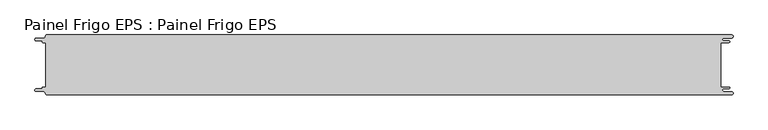
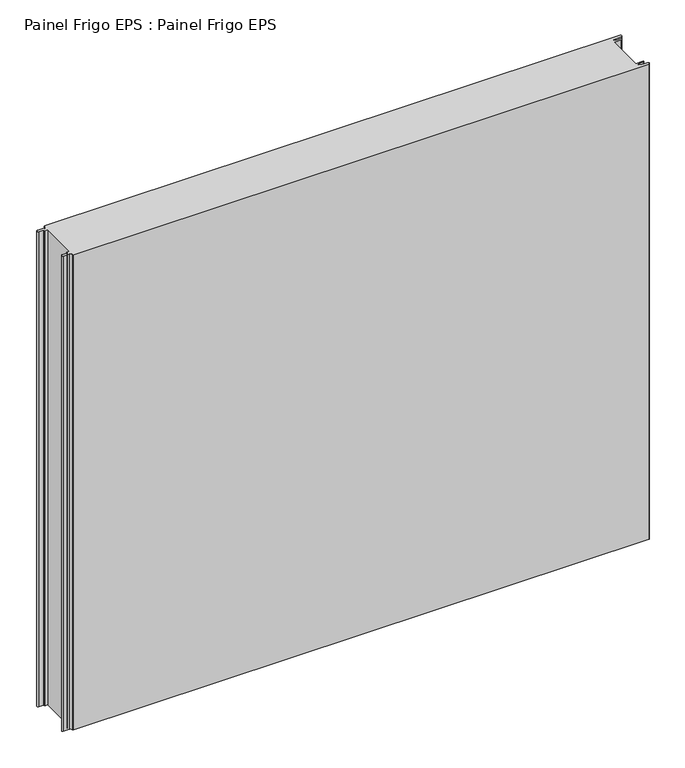
"""IFC4 building model written with IfcOpenShell, lengths in millimetres: proxy geometry, Painel Frigo EPS : Painel Frigo EPS."""

from ifc_helpers import new_model, si_unit, frame, origin, place, context, project, spatial, polyline, circle_curve, source, transform, mapped, element, save
from ifc_brep_helpers import plane_surface, cylinder_surface, revolved_surface, advanced_brep


def painel_frigo_eps_painel_frigo_eps_520e7b9e(model_context):
    return source(origin(), model_context, "Body", "AdvancedBrep", [
        advanced_brep(
        [(-579.5093748, 37.3, 1000.0), (-574.2218362, 37.3, 1000.0), (-574.2218362, -37.2999995, 1000.0), (-579.5093748, -37.2999995, 1000.0), (-580.1093753, -37.9, 1000.0), (-580.1093753, -38.7085185, 1000.0), (-581.5093753, -40.1085185, 1000.0), (-590.4875, -40.1085185, 1000.0), (-590.4875, -44.5085185, 1000.0), (-578.471875, -44.5085185, 1000.0), (-574.921875, -48.0585185, 1000.0), (-572.971875, -50.0, 1000.0), (572.284375, -50.0, 1000.0), (572.284375, -44.725, 1000.0), (559.378125, -44.725, 1000.0), (559.378125, -39.875, 1000.0), (568.0406253, -39.875, 1000.0), (568.0406253, -37.3, 1000.0), (554.1906253, -37.3, 1000.0), (554.1906253, 37.3, 1000.0), (568.0406253, 37.3, 1000.0), (568.0406253, 39.875, 1000.0), (559.378125, 39.875, 1000.0), (559.378125, 44.725, 1000.0), (572.284375, 44.725, 1000.0), (572.284375, 50.0, 1000.0), (-572.971875, 50.0, 1000.0), (-574.921875, 48.05, 1000.0), (-578.471875, 44.5085185, 1000.0), (-590.4875, 44.5085185, 1000.0), (-590.4875, 40.1085187, 1000.0), (-581.5093751, 40.1085187, 1000.0), (-580.1093748, 38.7085184, 1000.0), (-580.1093748, 37.9, 1000.0), (-579.5093748, 37.3, 0.0), (-580.1093748, 37.9, 0.0), (-580.1093748, 38.7085184, 0.0), (-581.5093751, 40.1085187, 0.0), (-590.4875, 40.1085187, 0.0), (-590.4875, 44.5085185, 0.0), (-578.471875, 44.5085185, 0.0), (-574.921875, 48.0585185, 0.0), (-572.971875, 50.0, 0.0), (572.284375, 50.0, 0.0), (572.284375, 44.725, 0.0), (559.378125, 44.725, 0.0), (559.378125, 39.875, 0.0), (568.0406253, 39.875, 0.0), (568.0406253, 37.3, 0.0), (554.1906253, 37.3, 0.0), (554.1906253, -37.3, 0.0), (568.0406253, -37.3, 0.0), (568.0406253, -39.875, 0.0), (559.378125, -39.875, 0.0), (559.378125, -44.725, 0.0), (572.284375, -44.725, 0.0), (572.284375, -50.0, 0.0), (-572.971875, -50.0, 0.0), (-574.921875, -48.05, 0.0), (-578.471875, -44.5085185, 0.0), (-590.4875, -44.5085185, 0.0), (-590.4875, -40.1085185, 0.0), (-581.5093753, -40.1085185, 0.0), (-580.1093753, -38.7085185, 0.0), (-580.1093753, -37.9, 0.0), (-579.5093748, -37.2999995, 0.0), (-574.2218362, -37.2999995, 0.0), (-574.2218362, 37.3, 0.0)],
        [
            (0, 1),
            (1, 2),
            (2, 3),
            (3, 4, circle_curve(frame((-579.5093748, -37.9, 1000.0), z_axis=(0.0, 0.0, 1.0), x_axis=(1.0, 0.0, 0.0)), 0.6000005)),
            (4, 5),
            (5, 6, circle_curve(frame((-581.5093753, -38.7085185, 1000.0), z_axis=(0.0, 0.0, -1.0), x_axis=(1.0, 0.0, 0.0)), 1.4)),
            (6, 7),
            (7, 8, circle_curve(frame((-590.4875, -42.3085185, 1000.0), z_axis=(0.0, 0.0, 1.0), x_axis=(1.0, 0.0, 0.0)), 2.2)),
            (8, 9),
            (9, 10, circle_curve(frame((-578.471875, -48.0585185, 1000.0), z_axis=(0.0, 0.0, -1.0), x_axis=(1.0, 0.0, 0.0)), 3.55)),
            (10, 11, circle_curve(frame((-572.971875, -48.05, 1000.0), z_axis=(0.0, 0.0, 1.0), x_axis=(1.0, 0.0, 0.0)), 1.95)),
            (11, 12),
            (12, 13, circle_curve(frame((572.284375, -47.3625, 1000.0), z_axis=(0.0, 0.0, 1.0), x_axis=(1.0, 0.0, 0.0)), 2.6375)),
            (13, 14),
            (14, 15, circle_curve(frame((559.378125, -42.3, 1000.0), z_axis=(0.0, 0.0, -1.0), x_axis=(1.0, 0.0, 0.0)), 2.425)),
            (15, 16),
            (16, 17, circle_curve(frame((568.0406253, -38.5875, 1000.0), z_axis=(0.0, 0.0, 1.0), x_axis=(1.0, 0.0, 0.0)), 1.2875)),
            (17, 18),
            (18, 19),
            (19, 20),
            (20, 21, circle_curve(frame((568.0406253, 38.5875, 1000.0), z_axis=(0.0, 0.0, 1.0), x_axis=(1.0, 0.0, 0.0)), 1.2875)),
            (21, 22),
            (22, 23, circle_curve(frame((559.378125, 42.3, 1000.0), z_axis=(0.0, 0.0, -1.0), x_axis=(1.0, 0.0, 0.0)), 2.425)),
            (23, 24),
            (24, 25, circle_curve(frame((572.284375, 47.3625, 1000.0), z_axis=(0.0, 0.0, 1.0), x_axis=(1.0, 0.0, 0.0)), 2.6375)),
            (25, 26),
            (26, 27, circle_curve(frame((-572.971875, 48.05, 1000.0), z_axis=(0.0, 0.0, 1.0), x_axis=(1.0, 0.0, 0.0)), 1.95)),
            (27, 28, circle_curve(frame((-578.471875, 48.0585185, 1000.0), z_axis=(0.0, 0.0, -1.0), x_axis=(1.0, 0.0, 0.0)), 3.55)),
            (28, 29),
            (29, 30, circle_curve(frame((-590.4875, 42.3085186, 1000.0), z_axis=(0.0, 0.0, 1.0), x_axis=(1.0, 0.0, 0.0)), 2.1999999)),
            (30, 31),
            (31, 32, circle_curve(frame((-581.5093751, 38.7085184, 1000.0), z_axis=(0.0, 0.0, -1.0), x_axis=(1.0, 0.0, 0.0)), 1.4000003)),
            (32, 33),
            (33, 0, circle_curve(frame((-579.5093748, 37.9, 1000.0), z_axis=(0.0, 0.0, 1.0), x_axis=(1.0, 0.0, 0.0)), 0.6)),
            (34, 35, circle_curve(frame((-579.5093748, 37.9, 0.0), z_axis=(0.0, 0.0, -1.0), x_axis=(1.0, 0.0, 0.0)), 0.6)),
            (35, 36),
            (36, 37, circle_curve(frame((-581.5093751, 38.7085184, 0.0), z_axis=(0.0, 0.0, 1.0), x_axis=(1.0, 0.0, 0.0)), 1.4000003)),
            (37, 38),
            (38, 39, circle_curve(frame((-590.4875, 42.3085186, 0.0), z_axis=(0.0, 0.0, -1.0), x_axis=(1.0, 0.0, 0.0)), 2.1999999)),
            (39, 40),
            (40, 41, circle_curve(frame((-578.471875, 48.0585185, 0.0), z_axis=(0.0, 0.0, 1.0), x_axis=(1.0, 0.0, 0.0)), 3.55)),
            (41, 42, circle_curve(frame((-572.971875, 48.05, 0.0), z_axis=(0.0, 0.0, -1.0), x_axis=(1.0, 0.0, 0.0)), 1.95)),
            (42, 43),
            (43, 44, circle_curve(frame((572.284375, 47.3625, 0.0), z_axis=(0.0, 0.0, -1.0), x_axis=(1.0, 0.0, 0.0)), 2.6375)),
            (44, 45),
            (45, 46, circle_curve(frame((559.378125, 42.3, 0.0), z_axis=(0.0, 0.0, 1.0), x_axis=(1.0, 0.0, 0.0)), 2.425)),
            (46, 47),
            (47, 48, circle_curve(frame((568.0406253, 38.5875, 0.0), z_axis=(0.0, 0.0, -1.0), x_axis=(1.0, 0.0, 0.0)), 1.2875)),
            (48, 49),
            (49, 50),
            (50, 51),
            (51, 52, circle_curve(frame((568.0406253, -38.5875, 0.0), z_axis=(0.0, 0.0, -1.0), x_axis=(1.0, 0.0, 0.0)), 1.2875)),
            (52, 53),
            (53, 54, circle_curve(frame((559.378125, -42.3, 0.0), z_axis=(0.0, 0.0, 1.0), x_axis=(1.0, 0.0, 0.0)), 2.425)),
            (54, 55),
            (55, 56, circle_curve(frame((572.284375, -47.3625, 0.0), z_axis=(0.0, 0.0, -1.0), x_axis=(1.0, 0.0, 0.0)), 2.6375)),
            (56, 57),
            (57, 58, circle_curve(frame((-572.971875, -48.05, 0.0), z_axis=(0.0, 0.0, -1.0), x_axis=(1.0, 0.0, 0.0)), 1.95)),
            (58, 59, circle_curve(frame((-578.471875, -48.0585185, 0.0), z_axis=(0.0, 0.0, 1.0), x_axis=(1.0, 0.0, 0.0)), 3.55)),
            (59, 60),
            (60, 61, circle_curve(frame((-590.4875, -42.3085185, 0.0), z_axis=(0.0, 0.0, -1.0), x_axis=(1.0, 0.0, 0.0)), 2.2)),
            (61, 62),
            (62, 63, circle_curve(frame((-581.5093753, -38.7085185, 0.0), z_axis=(0.0, 0.0, 1.0), x_axis=(1.0, 0.0, 0.0)), 1.4)),
            (63, 64),
            (64, 65, circle_curve(frame((-579.5093748, -37.9, 0.0), z_axis=(0.0, 0.0, -1.0), x_axis=(1.0, 0.0, 0.0)), 0.6000005)),
            (65, 66),
            (66, 67),
            (67, 34),
            (11, 57),
            (56, 12),
            (25, 43),
            (42, 26),
            (0, 34),
            (67, 1),
            (66, 2),
            (65, 3),
            (64, 4),
            (63, 5),
            (62, 6),
            (61, 7),
            (60, 8),
            (59, 9),
            (58, 10),
            (18, 50),
            (49, 19),
            (48, 20),
            (47, 21),
            (46, 22),
            (45, 23),
            (44, 24),
            (41, 27),
            (40, 28),
            (39, 29),
            (38, 30),
            (37, 31),
            (36, 32),
            (35, 33),
            (55, 13),
            (54, 14),
            (53, 15),
            (52, 16),
            (51, 17),
        ],
        [
            plane_surface(frame((-574.2218362, 37.3, 1000.0), z_axis=(0.0, 0.0, 1.0), x_axis=(1.0, 0.0, 0.0))),
            plane_surface(frame((-574.2218362, 37.3, 0.0), z_axis=(0.0, 0.0, -1.0), x_axis=(-1.0, 0.0, 0.0))),
            plane_surface(frame((-572.971875, -50.0, 1000.0), z_axis=(0.0, -1.0, 0.0), x_axis=(0.0, 0.0, -1.0))),
            plane_surface(frame((572.284375, 50.0, 1000.0), z_axis=(0.0, 1.0, 0.0), x_axis=(0.0, 0.0, -1.0))),
            plane_surface(frame((-579.5093748, 37.3, 1000.0), z_axis=(0.0, -1.0, 0.0), x_axis=(0.0, 0.0, -1.0))),
            plane_surface(frame((-574.2218362, 37.3, 1000.0), z_axis=(-1.0, 0.0, 0.0), x_axis=(0.0, 0.0, -1.0))),
            plane_surface(frame((-574.2218362, -37.2999995, 1000.0), z_axis=(0.0, 1.0, 0.0), x_axis=(0.0, 0.0, -1.0))),
            cylinder_surface(frame((-579.5093748, -37.9, 0.0), z_axis=(0.0, 0.0, 1.0), x_axis=(1.0, 0.0, 0.0)), 0.6000005),
            plane_surface(frame((-580.1093753, -37.9, 1000.0), z_axis=(-1.0, 1.7578608662328141e-12, 0.0), x_axis=(0.0, 0.0, -1.0))),
            revolved_surface(polyline([(-580.1093753, -38.7085185, 0.0), (-580.1093753, -38.7085185, 1000.0)]), (-581.5093753, -38.7085185, 0.0), (0.0, 0.0, -1.0)),
            plane_surface(frame((-581.5093753, -40.1085185, 1000.0), z_axis=(0.0, 1.0, 0.0), x_axis=(0.0, 0.0, -1.0))),
            cylinder_surface(frame((-590.4875, -42.3085185, 0.0), z_axis=(0.0, 0.0, 1.0), x_axis=(1.0, 0.0, 0.0)), 2.2),
            plane_surface(frame((-590.4875, -44.5085185, 1000.0), z_axis=(0.0, -1.0, 0.0), x_axis=(0.0, 0.0, -1.0))),
            revolved_surface(polyline([(-574.921875, -48.0585185, 0.0), (-574.921875, -48.0585185, 1000.0)]), (-578.471875, -48.0585185, 0.0), (0.0, 0.0, -1.0)),
            cylinder_surface(frame((-572.971875, -48.05, 0.0), z_axis=(0.0, 0.0, 1.0), x_axis=(1.0, 0.0, 0.0)), 1.95),
            plane_surface(frame((554.1906253, -37.3, 1000.0), z_axis=(1.0, 0.0, 0.0), x_axis=(0.0, 0.0, -1.0))),
            plane_surface(frame((554.1906253, 37.3, 1000.0), z_axis=(0.0, -1.0, 0.0), x_axis=(0.0, 0.0, -1.0))),
            cylinder_surface(frame((568.0406253, 38.5875, 0.0), z_axis=(0.0, 0.0, 1.0), x_axis=(1.0, 0.0, 0.0)), 1.2875),
            plane_surface(frame((568.0406253, 39.875, 1000.0), z_axis=(0.0, 1.0, 0.0), x_axis=(0.0, 0.0, -1.0))),
            revolved_surface(polyline([(561.8031249999999, 42.3, 0.0), (561.8031249999999, 42.3, 1000.0)]), (559.378125, 42.3, 0.0), (0.0, 0.0, -1.0)),
            plane_surface(frame((559.378125, 44.725, 1000.0), z_axis=(0.0, -1.0, 0.0), x_axis=(0.0, 0.0, -1.0))),
            cylinder_surface(frame((572.284375, 47.3625, 0.0), z_axis=(0.0, 0.0, 1.0), x_axis=(1.0, 0.0, 0.0)), 2.6375),
            cylinder_surface(frame((-572.971875, 48.05, 0.0), z_axis=(0.0, 0.0, 1.0), x_axis=(1.0, 0.0, 0.0)), 1.95),
            revolved_surface(polyline([(-574.921875, 48.0585185, 0.0), (-574.921875, 48.0585185, 1000.0)]), (-578.471875, 48.0585185, 0.0), (0.0, 0.0, -1.0)),
            plane_surface(frame((-578.471875, 44.5085185, 1000.0), z_axis=(0.0, 1.0, 0.0), x_axis=(0.0, 0.0, -1.0))),
            cylinder_surface(frame((-590.4875, 42.3085186, 0.0), z_axis=(0.0, 0.0, 1.0), x_axis=(1.0, 0.0, 0.0)), 2.1999999),
            plane_surface(frame((-590.4875, 40.1085187, 1000.0), z_axis=(0.0, -1.0, 0.0), x_axis=(0.0, 0.0, -1.0))),
            revolved_surface(polyline([(-580.1093748000001, 38.7085184, 0.0), (-580.1093748000001, 38.7085184, 1000.0)]), (-581.5093751, 38.7085184, 0.0), (0.0, 0.0, -1.0)),
            plane_surface(frame((-580.1093748, 38.7085184, 1000.0), z_axis=(-1.0, 0.0, 0.0), x_axis=(0.0, 0.0, -1.0))),
            cylinder_surface(frame((-579.5093748, 37.9, 0.0), z_axis=(0.0, 0.0, 1.0), x_axis=(1.0, 0.0, 0.0)), 0.6),
            cylinder_surface(frame((572.284375, -47.3625, 0.0), z_axis=(0.0, 0.0, 1.0), x_axis=(1.0, 0.0, 0.0)), 2.6375),
            plane_surface(frame((572.284375, -44.725, 1000.0), z_axis=(0.0, 1.0, 0.0), x_axis=(0.0, 0.0, -1.0))),
            revolved_surface(polyline([(561.8031249999999, -42.3, 0.0), (561.8031249999999, -42.3, 1000.0)]), (559.378125, -42.3, 0.0), (0.0, 0.0, -1.0)),
            plane_surface(frame((559.378125, -39.875, 1000.0), z_axis=(0.0, -1.0, 0.0), x_axis=(0.0, 0.0, -1.0))),
            cylinder_surface(frame((568.0406253, -38.5875, 0.0), z_axis=(0.0, 0.0, 1.0), x_axis=(1.0, 0.0, 0.0)), 1.2875),
            plane_surface(frame((568.0406253, -37.3, 1000.0), z_axis=(0.0, 1.0, 0.0), x_axis=(0.0, 0.0, -1.0))),
        ],
        [
            (0, [[1, 2, 3, 4, 5, 6, 7, 8, 9, 10, 11, 12, 13, 14, 15, 16, 17, 18, 19, 20, 21, 22, 23, 24, 25, 26, 27, 28, 29, 30, 31, 32, 33, 34]]),
            (1, [[35, 36, 37, 38, 39, 40, 41, 42, 43, 44, 45, 46, 47, 48, 49, 50, 51, 52, 53, 54, 55, 56, 57, 58, 59, 60, 61, 62, 63, 64, 65, 66, 67, 68]]),
            (2, [[-12, 69, -57, 70]]),
            (3, [[-26, 71, -43, 72]]),
            (4, [[-1, 73, -68, 74]]),
            (5, [[-2, -74, -67, 75]]),
            (6, [[-3, -75, -66, 76]]),
            (7, [[-4, -76, -65, 77]]),
            (8, [[-5, -77, -64, 78]]),
            (9, [[-6, -78, -63, 79]]),
            (10, [[-7, -79, -62, 80]]),
            (11, [[-8, -80, -61, 81]]),
            (12, [[-9, -81, -60, 82]]),
            (13, [[-10, -82, -59, 83]]),
            (14, [[-11, -83, -58, -69]]),
            (15, [[-19, 84, -50, 85]]),
            (16, [[-20, -85, -49, 86]]),
            (17, [[-21, -86, -48, 87]]),
            (18, [[-22, -87, -47, 88]]),
            (19, [[-23, -88, -46, 89]]),
            (20, [[-24, -89, -45, 90]]),
            (21, [[-25, -90, -44, -71]]),
            (22, [[-27, -72, -42, 91]]),
            (23, [[-28, -91, -41, 92]]),
            (24, [[-29, -92, -40, 93]]),
            (25, [[-30, -93, -39, 94]]),
            (26, [[-31, -94, -38, 95]]),
            (27, [[-32, -95, -37, 96]]),
            (28, [[-33, -96, -36, 97]]),
            (29, [[-34, -97, -35, -73]]),
            (30, [[-13, -70, -56, 98]]),
            (31, [[-14, -98, -55, 99]]),
            (32, [[-15, -99, -54, 100]]),
            (33, [[-16, -100, -53, 101]]),
            (34, [[-17, -101, -52, 102]]),
            (35, [[-18, -102, -51, -84]]),
        ],
    ),
    ])


if __name__ == "__main__":
    model = new_model("IFC4")
    model_context = context("Model", 3, world=origin())
    ifc_project = project(units=[si_unit("LENGTHUNIT", "METRE", prefix="MILLI")], contexts=[model_context])
    site = spatial("IfcSite", under=ifc_project)
    building = spatial("IfcBuilding", under=site)
    placement = place(None, origin())
    painel_frigo_eps_painel_frigo_eps_shape = painel_frigo_eps_painel_frigo_eps_520e7b9e(model_context)
    element("IfcBuildingElementProxy", 1, Name="Painel Frigo EPS : Painel Frigo EPS", ObjectType="Painel Frigo EPS : Painel Frigo EPS", at=placement, inside=building, context=model_context, shape_type="MappedRepresentation", body=[
        mapped(painel_frigo_eps_painel_frigo_eps_shape, transform((0.0, 0.0, 0.0), x_axis=(1.0, 0.0, 0.0), y_axis=(0.0, 1.0, 0.0), z_axis=(0.0, 0.0, 1.0))),
    ])
    save(model, "model.ifc")
